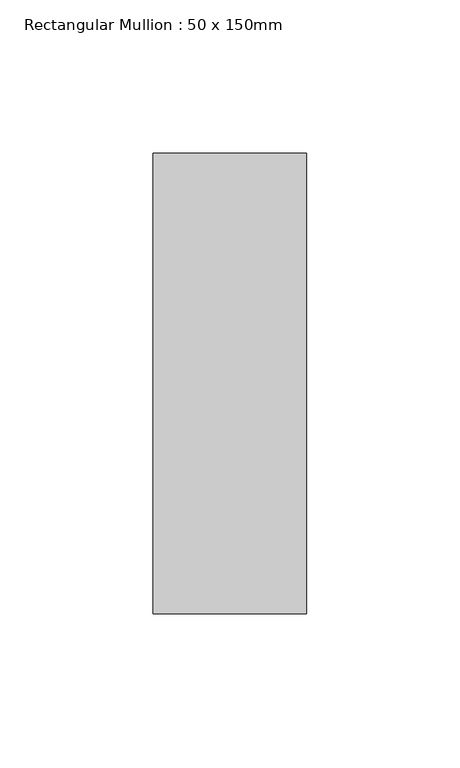
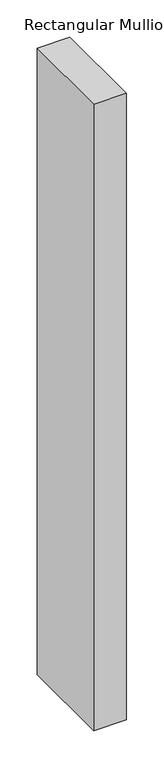
"""IFC4 building model written with IfcOpenShell, lengths in millimetres: member geometry, Rectangular Mullion : 50 x 150mm."""

from ifc_helpers import new_model, si_unit, frame, origin, place, context, project, spatial, polyline, outline, extrude, source, transform, mapped, element, save


def rectangular_mullion_50_x_150mm_a9598d22(model_context):
    return source(origin(), model_context, "Body", "SweptSolid", [
        extrude(outline(polyline([(0.0, 75.0), (0.0, -75.0), (-50.0, -75.0), (-50.0, 75.0), (0.0, 75.0)])), frame((0.0, 0.0, -1020.550168), z_axis=(0.0, 0.0, 1.0), x_axis=(1.0, 0.0, 0.0)), (0.0, 0.0, 1.0), 1020.550168),
    ])


if __name__ == "__main__":
    model = new_model("IFC4")
    model_context = context("Model", 3, world=origin())
    ifc_project = project(units=[si_unit("LENGTHUNIT", "METRE", prefix="MILLI")], contexts=[model_context])
    site = spatial("IfcSite", under=ifc_project)
    building = spatial("IfcBuilding", under=site)
    placement = place(None, origin())
    rectangular_mullion_50_x_150mm_shape = rectangular_mullion_50_x_150mm_a9598d22(model_context)
    element("IfcMember", 1, ObjectType="Rectangular Mullion : 50 x 150mm", at=placement, inside=building, context=model_context, shape_type="MappedRepresentation", body=[
        mapped(rectangular_mullion_50_x_150mm_shape, transform((0.0, 0.0, 0.0), x_axis=(1.0, 0.0, 0.0), y_axis=(0.0, 1.0, 0.0), z_axis=(0.0, 0.0, 1.0))),
    ])
    save(model, "model.ifc")
